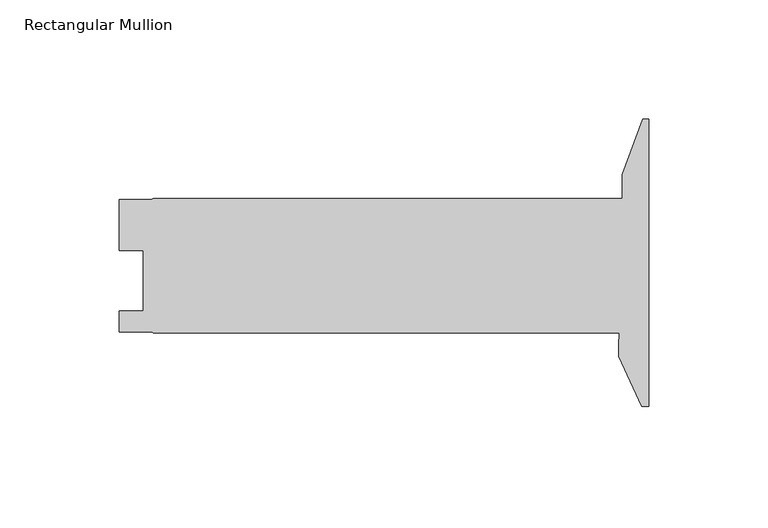
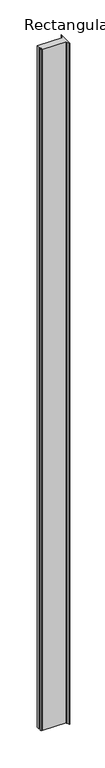
"""IFC4 building model written with IfcOpenShell, lengths in millimetres: member geometry, Rectangular Mullion."""

import ifcopenshell
import ifcopenshell.guid

model = None  # the IFC model being written
_history = None  # IfcOwnerHistory: only IFC2X3 demands one
_inside = {}  # id of a spatial element -> (the spatial element, [elements in it])
_under = {}  # id of a project, library or spatial element -> (it, [spatial elements below it])
_declared = {}  # id of a project -> (the project, [libraries it declares])
_typed = {}  # id of a type object -> (the type object, [elements of that type])
_made_of = {}  # id of a material, layer set ... -> (it, [elements and type objects made of it])


def new_model(schema):
    """Start an empty IFC model of exactly this schema.

    Asked for "IFC4X3", IfcOpenShell would pick the latest addendum, in which some entities
    have other attributes; the version numbers below select the first issue.
    IFC2X3 requires an IfcOwnerHistory on every rooted entity: one is made here for all.
    """
    global model, _history
    if schema == "IFC4X3":
        model = ifcopenshell.file(schema_version=(4, 3, 0, 0))
    else:
        model = ifcopenshell.file(schema=schema)
    _inside.clear()
    _under.clear()
    _declared.clear()
    _typed.clear()
    _made_of.clear()
    _history = None
    if model.schema == "IFC2X3":
        org = make("IfcOrganization", Name="unknown")
        user = make(
            "IfcPersonAndOrganization",
            ThePerson=make("IfcPerson", FamilyName="unknown"),
            TheOrganization=org,
        )
        app = make(
            "IfcApplication",
            ApplicationDeveloper=org,
            Version="unknown",
            ApplicationFullName="unknown",
            ApplicationIdentifier="unknown",
        )
        _history = make(
            "IfcOwnerHistory",
            OwningUser=user,
            OwningApplication=app,
            ChangeAction="ADDED",
            CreationDate=0,
        )
    return model


def make(cls, **values):
    """One entity of the class cls with the attributes given. An attribute that is None is left unset."""
    return model.create_entity(
        cls, **{name: value for name, value in values.items() if value is not None}
    )


def rooted(cls, **values):
    """An entity with a GlobalId (a new one), such as an element, a storey or a relation."""
    return make(cls, GlobalId=ifcopenshell.guid.new(), OwnerHistory=_history, **values)


def si_unit(unit_type, name, prefix=None):
    """IfcSIUnit, for example si_unit("LENGTHUNIT", "METRE", prefix="MILLI")."""
    return make("IfcSIUnit", UnitType=unit_type, Prefix=prefix, Name=name)


def assignment(units):
    """IfcUnitAssignment: the units of a project."""
    return None if units is None else make("IfcUnitAssignment", Units=units)


def point(xyz):
    """IfcCartesianPoint."""
    return None if xyz is None else make("IfcCartesianPoint", Coordinates=xyz)


def direction(xyz):
    """IfcDirection."""
    return None if xyz is None else make("IfcDirection", DirectionRatios=xyz)


def frame(location, z_axis=None, x_axis=None):
    """IfcAxis2Placement3D, a coordinate frame: its origin and axes. An axis left out is left unset."""
    return make(
        "IfcAxis2Placement3D",
        Location=point(location),
        Axis=direction(z_axis),
        RefDirection=direction(x_axis),
    )


def frame_2d(location, x_axis=None):
    """IfcAxis2Placement2D, a coordinate frame in the plane: its origin and x axis."""
    return make(
        "IfcAxis2Placement2D", Location=point(location), RefDirection=direction(x_axis)
    )


def origin():
    """The frame at (0, 0, 0) with its axes left unset."""
    return frame((0.0, 0.0, 0.0))


def place(relative_to, where):
    """IfcLocalPlacement: puts the frame where relative to a parent placement (None: the world)."""
    return make(
        "IfcLocalPlacement", PlacementRelTo=relative_to, RelativePlacement=where
    )


def context(
    kind, dimensions, precision=None, world=None, true_north=None, identifier=None
):
    """IfcGeometricRepresentationContext, for example the 3D "Model" context."""
    return make(
        "IfcGeometricRepresentationContext",
        ContextIdentifier=identifier,
        ContextType=kind,
        CoordinateSpaceDimension=dimensions,
        Precision=precision,
        WorldCoordinateSystem=world,
        TrueNorth=true_north,
    )


def project(units=None, contexts=None):
    """IfcProject with its units and contexts."""
    return rooted(
        "IfcProject",
        Name="project",
        RepresentationContexts=contexts,
        UnitsInContext=assignment(units),
    )


def spatial(cls, under=None, at=None, **own):
    """A site, building, storey or space (cls), placed at a placement, below another one or the project."""
    s = rooted(cls, ObjectPlacement=at, **own)
    if under is not None:
        _under.setdefault(under.id(), (under, []))[1].append(s)
    return s


def polyline(points):
    """IfcPolyline through the points."""
    return make("IfcPolyline", Points=[point(p) for p in points])


def circle_curve(where, radius):
    """IfcCircle in the frame where."""
    return make("IfcCircle", Position=where, Radius=radius)


def trimmed(basis, trim1, trim2, sense, master):
    """IfcTrimmedCurve: the piece of a basis curve between two trims."""
    return make(
        "IfcTrimmedCurve",
        BasisCurve=basis,
        Trim1=trim1,
        Trim2=trim2,
        SenseAgreement=sense,
        MasterRepresentation=master,
    )


def segment(curve, same_sense, transition):
    """IfcCompositeCurveSegment."""
    return make(
        "IfcCompositeCurveSegment",
        Transition=transition,
        SameSense=same_sense,
        ParentCurve=curve,
    )


def composite_curve(segments, self_intersect=None):
    """IfcCompositeCurve: segments joined end to end."""
    return make("IfcCompositeCurve", Segments=segments, SelfIntersect=self_intersect)


def outline(outer, holes=None, kind="AREA"):
    """IfcArbitraryClosedProfileDef: a profile drawn as a closed curve; with holes, ...WithVoids."""
    if holes is None:
        return make("IfcArbitraryClosedProfileDef", ProfileType=kind, OuterCurve=outer)
    return make(
        "IfcArbitraryProfileDefWithVoids",
        ProfileType=kind,
        OuterCurve=outer,
        InnerCurves=holes,
    )


def extrude(swept, where, along, depth):
    """IfcExtrudedAreaSolid: the profile swept, set in the frame where, extruded along a direction by depth."""
    return make(
        "IfcExtrudedAreaSolid",
        SweptArea=swept,
        Position=where,
        ExtrudedDirection=direction(along),
        Depth=depth,
    )


def shape(context_of_items, identifier, shape_type, items):
    """IfcShapeRepresentation: the items that make up one representation, for example the "Body"."""
    return make(
        "IfcShapeRepresentation",
        ContextOfItems=context_of_items,
        RepresentationIdentifier=identifier,
        RepresentationType=shape_type,
        Items=items,
    )


def source(mapping_origin, context_of_items, identifier, shape_type, items):
    """IfcRepresentationMap: a shape defined once, which mapped items show again and again."""
    return make(
        "IfcRepresentationMap",
        MappingOrigin=mapping_origin,
        MappedRepresentation=shape(context_of_items, identifier, shape_type, items),
    )


def transform(
    local_origin,
    x_axis=None,
    y_axis=None,
    z_axis=None,
    scale=None,
    scale2=None,
    scale3=None,
    uniform=True,
):
    """IfcCartesianTransformationOperator3D, or its non-uniform kind. x_axis, y_axis, z_axis: its Axis1, 2, 3."""
    if uniform:
        return make(
            "IfcCartesianTransformationOperator3D",
            Axis1=direction(x_axis),
            Axis2=direction(y_axis),
            LocalOrigin=point(local_origin),
            Scale=scale,
            Axis3=direction(z_axis),
        )
    return make(
        "IfcCartesianTransformationOperator3DnonUniform",
        Axis1=direction(x_axis),
        Axis2=direction(y_axis),
        LocalOrigin=point(local_origin),
        Scale=scale,
        Axis3=direction(z_axis),
        Scale2=scale2,
        Scale3=scale3,
    )


def mapped(mapping_source, mapping_target):
    """IfcMappedItem: shows the shape of a source again, moved by a transform."""
    return make(
        "IfcMappedItem", MappingSource=mapping_source, MappingTarget=mapping_target
    )


def made_of(thing, what):
    """Note that an element or type object is made of a material, layer set ...; save() writes the relation."""
    if what is not None:
        _made_of.setdefault(what.id(), (what, []))[1].append(thing)
    return thing


def element(
    cls,
    number,
    at=None,
    inside=None,
    cuts=None,
    type_object=None,
    material=None,
    context=None,
    identifier="Body",
    shape_type=None,
    held_by="IfcProductDefinitionShape",
    body=None,
    shapes=None,
    **own,
):
    """One element of the class cls, such as IfcWall. Its Tag is "e" and its number.

    at: its placement. inside: the storey or other place that contains it. cuts: it is an
    opening in that element (IfcRelVoidsElement). A single representation is given by context,
    identifier, shape_type and body (its items); several are given by shapes. held_by: the class
    of the entity that holds the representations. save() writes the other relations.
    """
    e = rooted(cls, Tag="e%d" % number, ObjectPlacement=at, **own)
    if body is not None:
        shapes = [shape(context, identifier, shape_type, body)]
    if shapes is not None:
        e.Representation = make(held_by, Representations=shapes)
    if inside is not None:
        _inside.setdefault(inside.id(), (inside, []))[1].append(e)
    if cuts is not None:
        rooted(
            "IfcRelVoidsElement", RelatingBuildingElement=cuts, RelatedOpeningElement=e
        )
    if type_object is not None:
        _typed.setdefault(type_object.id(), (type_object, []))[1].append(e)
    return made_of(e, material)


def aggregate(whole, parts):
    """IfcRelAggregates: a whole, such as a stair, and the parts it consists of."""
    return rooted("IfcRelAggregates", RelatingObject=whole, RelatedObjects=parts)


def save(model, path):
    """Write the relations noted so far, then the file.

    IfcRelAggregates (storeys below a building ...), IfcRelContainedInSpatialStructure (elements
    in a storey), IfcRelDefinesByType, IfcRelAssociatesMaterial and IfcRelDeclares: one each for
    every whole, place, type object, material and project.
    """
    for whole, parts in _under.values():
        aggregate(whole, parts)
    for where, things in _inside.values():
        rooted(
            "IfcRelContainedInSpatialStructure",
            RelatedElements=things,
            RelatingStructure=where,
        )
    for kind, things in _typed.values():
        rooted("IfcRelDefinesByType", RelatedObjects=things, RelatingType=kind)
    for what, things in _made_of.values():
        rooted("IfcRelAssociatesMaterial", RelatedObjects=things, RelatingMaterial=what)
    for by, libraries in _declared.values():
        rooted("IfcRelDeclares", RelatingContext=by, RelatedDefinitions=libraries)
    model.write(path)


def rectangular_mullion_5b675106(model_context):
    return source(origin(), model_context, "Body", "SweptSolid", [
        extrude(outline(composite_curve([segment(polyline([(0.0, -103.2129), (-2.8679621, -103.2129), (-12.6987193, -82.130773), (-12.6987193, -77.342873)]), True, "CONTINUOUS"), segment(trimmed(circle_curve(frame_2d((-107.9362636, -69.405373)), 95.5677442), [point((-12.6987193, -77.342873))], [point((-12.4143461, -72.3646))], True, "CARTESIAN"), True, "CONTINUOUS"), segment(polyline([(-12.4143461, -72.3646), (-207.8974784, -72.3646), (-208.5594964, -71.90105), (-222.1849784, -71.90105), (-222.1849784, -63.16345), (-212.1392784, -63.16345), (-212.1392784, -37.76345), (-222.1722782, -37.76345), (-222.1722782, -16.3321999), (-208.6893719, -16.3321999), (-207.8974784, -15.875), (-11.1239193, -15.875), (-11.1239193, -5.9626569), (-2.6070581, 17.437227), (0.0, 17.437227), (0.0, -103.2129)]), True, "CONTINUOUS")], self_intersect=False)), frame((0.0, 0.0, -6045.2), z_axis=(0.0, 0.0, 1.0), x_axis=(1.0, 0.0, 0.0)), (0.0, 0.0, 1.0), 6045.2),
    ])


if __name__ == "__main__":
    model = new_model("IFC4")
    model_context = context("Model", 3, world=origin())
    ifc_project = project(units=[si_unit("LENGTHUNIT", "METRE", prefix="MILLI")], contexts=[model_context])
    site = spatial("IfcSite", under=ifc_project)
    building = spatial("IfcBuilding", under=site)
    placement = place(None, origin())
    rectangular_mullion_shape = rectangular_mullion_5b675106(model_context)
    element("IfcMember", 1, ObjectType="Rectangular Mullion", at=placement, inside=building, context=model_context, shape_type="MappedRepresentation", body=[
        mapped(rectangular_mullion_shape, transform((0.0, 0.0, 0.0), x_axis=(1.0, 0.0, 0.0), y_axis=(0.0, 1.0, 0.0), z_axis=(0.0, 0.0, 1.0))),
    ])
    save(model, "model.ifc")
